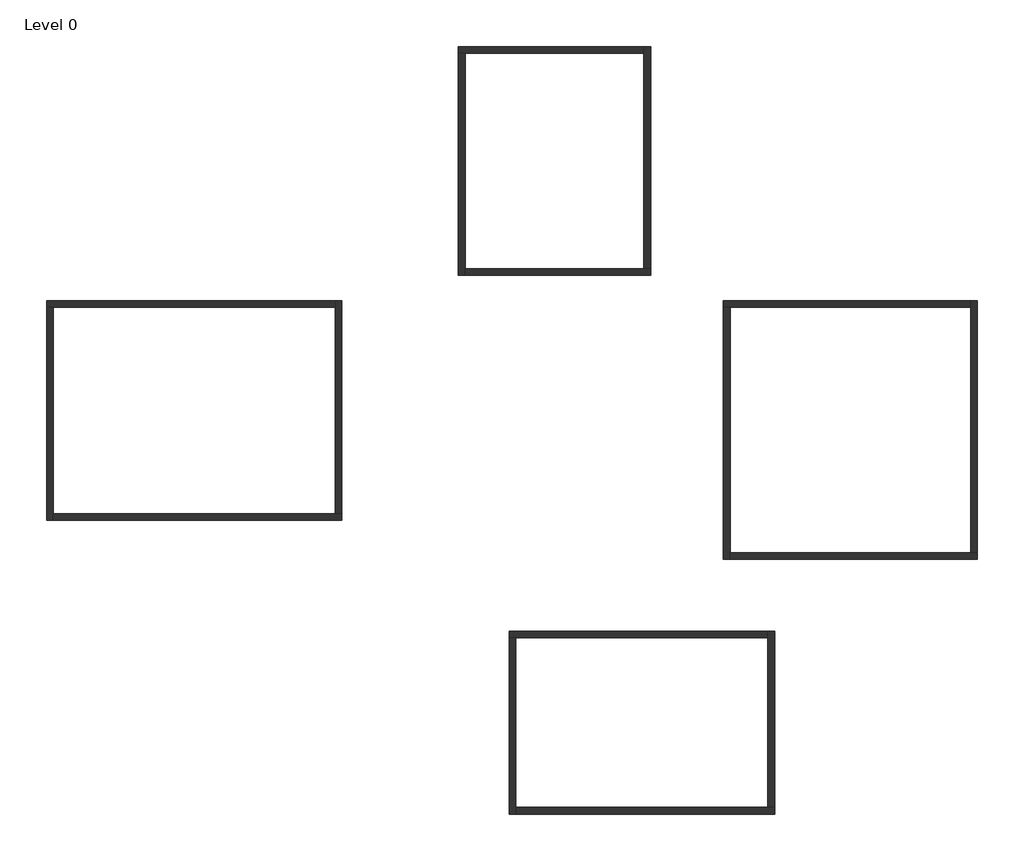
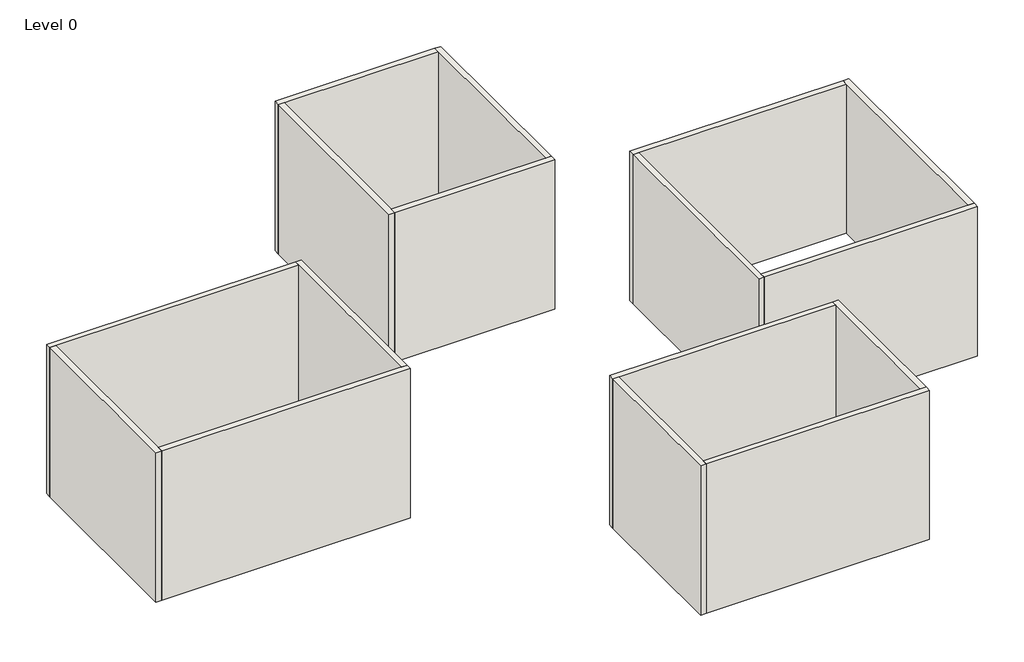
# One storey: 16 walls.
"""IFC4 building model written with IfcOpenShell, lengths in millimetres."""

from ifc_helpers import new_model, si_unit, origin, place, context, project, spatial, faceted_brep, element, save

model = new_model("IFC4")

# Units and contexts
model_context = context("Model", 3, world=origin())
ifc_project = project(units=[si_unit("LENGTHUNIT", "METRE", prefix="MILLI")], contexts=[model_context])

# Site, building, storey
site = spatial("IfcSite", under=ifc_project)
building = spatial("IfcBuilding", under=site)
storey = spatial("IfcBuildingStorey", under=building, Name="Level 0", Elevation=0.0)

# Walls
placement = place(None, origin())
element("IfcWall", 1, at=placement, inside=storey, context=model_context, shape_type="Brep", body=[
    faceted_brep([(-17389.9765746, 7048.1970916, 0.0), (-17099.9765746, 7048.1970916, 0.0), (-4789.9765746, 7048.1970916, 0.0), (-4789.9765746, 7048.1970916, 8000.0), (-17099.9765746, 7048.1970916, 8000.0), (-17389.9765746, 7048.1970916, 8000.0), (-17389.9765746, 7338.1970916, 0.0), (-17389.9765746, 7338.1970916, 8000.0), (-4789.9765746, 7338.1970916, 8000.0), (-4789.9765746, 7338.1970916, 0.0)], [[[0, 1, 2, 3, 4, 5]], [[6, 7, 8, 9]], [[2, 1, 0, 6, 9]], [[5, 4, 3, 8, 7]], [[0, 5, 7, 6]], [[3, 2, 9, 8]]]),
])
element("IfcWall", 2, at=placement, inside=storey, context=model_context, shape_type="Brep", body=[
    faceted_brep([(-17099.9765746, -2251.8029084, 0.0), (-17099.9765746, -1961.8029084, 0.0), (-17099.9765746, 7048.1970916, 0.0), (-17099.9765746, 7048.1970916, 8000.0), (-17099.9765746, -1961.8029084, 8000.0), (-17099.9765746, -2251.8029084, 8000.0), (-17389.9765746, -2251.8029084, 0.0), (-17389.9765746, -2251.8029084, 8000.0), (-17389.9765746, 7048.1970916, 8000.0), (-17389.9765746, 7048.1970916, 0.0)], [[[0, 1, 2, 3, 4, 5]], [[6, 7, 8, 9]], [[2, 1, 0, 6, 9]], [[5, 4, 3, 8, 7]], [[0, 5, 7, 6]], [[3, 2, 9, 8]]]),
])
element("IfcWall", 3, at=placement, inside=storey, context=model_context, shape_type="Brep", body=[
    faceted_brep([(-4499.9765746, -1961.8029084, 0.0), (-4789.9765746, -1961.8029084, 0.0), (-17099.9765746, -1961.8029084, 0.0), (-17099.9765746, -1961.8029084, 8000.0), (-4789.9765746, -1961.8029084, 8000.0), (-4499.9765746, -1961.8029084, 8000.0), (-4499.9765746, -2251.8029084, 0.0), (-4499.9765746, -2251.8029084, 8000.0), (-17099.9765746, -2251.8029084, 8000.0), (-17099.9765746, -2251.8029084, 0.0)], [[[0, 1, 2, 3, 4, 5]], [[6, 7, 8, 9]], [[2, 1, 0, 6, 9]], [[5, 4, 3, 8, 7]], [[0, 5, 7, 6]], [[3, 2, 9, 8]]]),
])
element("IfcWall", 4, at=placement, inside=storey, context=model_context, shape_type="Brep", body=[
    faceted_brep([(-4789.9765746, 7338.1970916, 0.0), (-4789.9765746, 7048.1970916, 0.0), (-4789.9765746, -1961.8029084, 0.0), (-4789.9765746, -1961.8029084, 8000.0), (-4789.9765746, 7048.1970916, 8000.0), (-4789.9765746, 7338.1970916, 8000.0), (-4499.9765746, 7338.1970916, 0.0), (-4499.9765746, 7338.1970916, 8000.0), (-4499.9765746, -1961.8029084, 8000.0), (-4499.9765746, -1961.8029084, 0.0)], [[[0, 1, 2, 3, 4, 5]], [[6, 7, 8, 9]], [[2, 1, 0, 6, 9]], [[5, 4, 3, 8, 7]], [[0, 5, 7, 6]], [[3, 2, 9, 8]]]),
])
element("IfcWall", 5, at=placement, inside=storey, context=model_context, shape_type="Brep", body=[
    faceted_brep([(587.0038649, 18137.6115314, 0.0), (877.0038649, 18137.6115314, 0.0), (8687.0038649, 18137.6115314, 0.0), (8687.0038649, 18137.6115314, 8000.0), (877.0038649, 18137.6115314, 8000.0), (587.0038649, 18137.6115314, 8000.0), (587.0038649, 18427.6115314, 0.0), (587.0038649, 18427.6115314, 8000.0), (8687.0038649, 18427.6115314, 8000.0), (8687.0038649, 18427.6115314, 0.0)], [[[0, 1, 2, 3, 4, 5]], [[6, 7, 8, 9]], [[2, 1, 0, 6, 9]], [[5, 4, 3, 8, 7]], [[0, 5, 7, 6]], [[3, 2, 9, 8]]]),
])
element("IfcWall", 6, at=placement, inside=storey, context=model_context, shape_type="Brep", body=[
    faceted_brep([(877.0038649, 8437.6115314, 0.0), (877.0038649, 8727.6115314, 0.0), (877.0038649, 18137.6115314, 0.0), (877.0038649, 18137.6115314, 8000.0), (877.0038649, 8727.6115314, 8000.0), (877.0038649, 8437.6115314, 8000.0), (587.0038649, 8437.6115314, 0.0), (587.0038649, 8437.6115314, 8000.0), (587.0038649, 18137.6115314, 8000.0), (587.0038649, 18137.6115314, 0.0)], [[[0, 1, 2, 3, 4, 5]], [[6, 7, 8, 9]], [[2, 1, 0, 6, 9]], [[5, 4, 3, 8, 7]], [[0, 5, 7, 6]], [[3, 2, 9, 8]]]),
])
element("IfcWall", 7, at=placement, inside=storey, context=model_context, shape_type="Brep", body=[
    faceted_brep([(8977.0038649, 8727.6115314, 0.0), (8687.0038649, 8727.6115314, 0.0), (877.0038649, 8727.6115314, 0.0), (877.0038649, 8727.6115314, 8000.0), (8687.0038649, 8727.6115314, 8000.0), (8977.0038649, 8727.6115314, 8000.0), (8977.0038649, 8437.6115314, 0.0), (8977.0038649, 8437.6115314, 8000.0), (877.0038649, 8437.6115314, 8000.0), (877.0038649, 8437.6115314, 0.0)], [[[0, 1, 2, 3, 4, 5]], [[6, 7, 8, 9]], [[2, 1, 0, 6, 9]], [[5, 4, 3, 8, 7]], [[0, 5, 7, 6]], [[3, 2, 9, 8]]]),
])
element("IfcWall", 8, at=placement, inside=storey, context=model_context, shape_type="Brep", body=[
    faceted_brep([(8687.0038649, 18427.6115314, 0.0), (8687.0038649, 18137.6115314, 0.0), (8687.0038649, 8727.6115314, 0.0), (8687.0038649, 8727.6115314, 8000.0), (8687.0038649, 18137.6115314, 8000.0), (8687.0038649, 18427.6115314, 8000.0), (8977.0038649, 18427.6115314, 0.0), (8977.0038649, 18427.6115314, 8000.0), (8977.0038649, 8727.6115314, 8000.0), (8977.0038649, 8727.6115314, 0.0)], [[[0, 1, 2, 3, 4, 5]], [[6, 7, 8, 9]], [[2, 1, 0, 6, 9]], [[5, 4, 3, 8, 7]], [[0, 5, 7, 6]], [[3, 2, 9, 8]]]),
])
element("IfcWall", 9, at=placement, inside=storey, context=model_context, shape_type="Brep", body=[
    faceted_brep([(12152.9165815, 7048.1970916, 0.0), (12442.9165815, 7048.1970916, 0.0), (22952.9165815, 7048.1970916, 0.0), (22952.9165815, 7048.1970916, 8000.0), (12442.9165815, 7048.1970916, 8000.0), (12152.9165815, 7048.1970916, 8000.0), (12152.9165815, 7338.1970916, 0.0), (12152.9165815, 7338.1970916, 8000.0), (22952.9165815, 7338.1970916, 8000.0), (22952.9165815, 7338.1970916, 0.0)], [[[0, 1, 2, 3, 4, 5]], [[6, 7, 8, 9]], [[2, 1, 0, 6, 9]], [[5, 4, 3, 8, 7]], [[0, 5, 7, 6]], [[3, 2, 9, 8]]]),
])
element("IfcWall", 10, at=placement, inside=storey, context=model_context, shape_type="Brep", body=[
    faceted_brep([(12442.9165815, -3951.8029084, 0.0), (12442.9165815, -3661.8029084, 0.0), (12442.9165815, 7048.1970916, 0.0), (12442.9165815, 7048.1970916, 8000.0), (12442.9165815, -3661.8029084, 8000.0), (12442.9165815, -3951.8029084, 8000.0), (12152.9165815, -3951.8029084, 0.0), (12152.9165815, -3951.8029084, 8000.0), (12152.9165815, 7048.1970916, 8000.0), (12152.9165815, 7048.1970916, 0.0)], [[[0, 1, 2, 3, 4, 5]], [[6, 7, 8, 9]], [[2, 1, 0, 6, 9]], [[5, 4, 3, 8, 7]], [[0, 5, 7, 6]], [[3, 2, 9, 8]]]),
])
element("IfcWall", 11, at=placement, inside=storey, context=model_context, shape_type="Brep", body=[
    faceted_brep([(23242.9165815, -3661.8029084, 0.0), (22952.9165815, -3661.8029084, 0.0), (12442.9165815, -3661.8029084, 0.0), (12442.9165815, -3661.8029084, 8000.0), (22952.9165815, -3661.8029084, 8000.0), (23242.9165815, -3661.8029084, 8000.0), (23242.9165815, -3951.8029084, 0.0), (23242.9165815, -3951.8029084, 8000.0), (12442.9165815, -3951.8029084, 8000.0), (12442.9165815, -3951.8029084, 0.0)], [[[0, 1, 2, 3, 4, 5]], [[6, 7, 8, 9]], [[2, 1, 0, 6, 9]], [[5, 4, 3, 8, 7]], [[0, 5, 7, 6]], [[3, 2, 9, 8]]]),
])
element("IfcWall", 12, at=placement, inside=storey, context=model_context, shape_type="Brep", body=[
    faceted_brep([(22952.9165815, 7338.1970916, 0.0), (22952.9165815, 7048.1970916, 0.0), (22952.9165815, -3661.8029084, 0.0), (22952.9165815, -3661.8029084, 8000.0), (22952.9165815, 7048.1970916, 8000.0), (22952.9165815, 7338.1970916, 8000.0), (23242.9165815, 7338.1970916, 0.0), (23242.9165815, 7338.1970916, 8000.0), (23242.9165815, -3661.8029084, 8000.0), (23242.9165815, -3661.8029084, 0.0)], [[[0, 1, 2, 3, 4, 5]], [[6, 7, 8, 9]], [[2, 1, 0, 6, 9]], [[5, 4, 3, 8, 7]], [[0, 5, 7, 6]], [[3, 2, 9, 8]]]),
])
element("IfcWall", 13, at=placement, inside=storey, context=model_context, shape_type="Brep", body=[
    faceted_brep([(2796.2231479, -7376.7052852, 0.0), (3086.2231479, -7376.7052852, 0.0), (14096.2231479, -7376.7052852, 0.0), (14096.2231479, -7376.7052852, 8000.0), (3086.2231479, -7376.7052852, 8000.0), (2796.2231479, -7376.7052852, 8000.0), (2796.2231479, -7086.7052852, 0.0), (2796.2231479, -7086.7052852, 8000.0), (14096.2231479, -7086.7052852, 8000.0), (14096.2231479, -7086.7052852, 0.0)], [[[0, 1, 2, 3, 4, 5]], [[6, 7, 8, 9]], [[2, 1, 0, 6, 9]], [[5, 4, 3, 8, 7]], [[0, 5, 7, 6]], [[3, 2, 9, 8]]]),
])
element("IfcWall", 14, at=placement, inside=storey, context=model_context, shape_type="Brep", body=[
    faceted_brep([(3086.2231479, -15076.7052852, 0.0), (3086.2231479, -14786.7052852, 0.0), (3086.2231479, -7376.7052852, 0.0), (3086.2231479, -7376.7052852, 8000.0), (3086.2231479, -14786.7052852, 8000.0), (3086.2231479, -15076.7052852, 8000.0), (2796.2231479, -15076.7052852, 0.0), (2796.2231479, -15076.7052852, 8000.0), (2796.2231479, -7376.7052852, 8000.0), (2796.2231479, -7376.7052852, 0.0)], [[[0, 1, 2, 3, 4, 5]], [[6, 7, 8, 9]], [[2, 1, 0, 6, 9]], [[5, 4, 3, 8, 7]], [[0, 5, 7, 6]], [[3, 2, 9, 8]]]),
])
element("IfcWall", 15, at=placement, inside=storey, context=model_context, shape_type="Brep", body=[
    faceted_brep([(14386.2231479, -14786.7052852, 0.0), (14096.2231479, -14786.7052852, 0.0), (3086.2231479, -14786.7052852, 0.0), (3086.2231479, -14786.7052852, 8000.0), (14096.2231479, -14786.7052852, 8000.0), (14386.2231479, -14786.7052852, 8000.0), (14386.2231479, -15076.7052852, 0.0), (14386.2231479, -15076.7052852, 8000.0), (3086.2231479, -15076.7052852, 8000.0), (3086.2231479, -15076.7052852, 0.0)], [[[0, 1, 2, 3, 4, 5]], [[6, 7, 8, 9]], [[2, 1, 0, 6, 9]], [[5, 4, 3, 8, 7]], [[0, 5, 7, 6]], [[3, 2, 9, 8]]]),
])
element("IfcWall", 16, at=placement, inside=storey, context=model_context, shape_type="Brep", body=[
    faceted_brep([(14096.2231479, -7086.7052852, 0.0), (14096.2231479, -7376.7052852, 0.0), (14096.2231479, -14786.7052852, 0.0), (14096.2231479, -14786.7052852, 8000.0), (14096.2231479, -7376.7052852, 8000.0), (14096.2231479, -7086.7052852, 8000.0), (14386.2231479, -7086.7052852, 0.0), (14386.2231479, -7086.7052852, 8000.0), (14386.2231479, -14786.7052852, 8000.0), (14386.2231479, -14786.7052852, 0.0)], [[[0, 1, 2, 3, 4, 5]], [[6, 7, 8, 9]], [[2, 1, 0, 6, 9]], [[5, 4, 3, 8, 7]], [[0, 5, 7, 6]], [[3, 2, 9, 8]]]),
])

save(model, "model.ifc")
